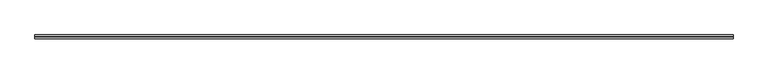
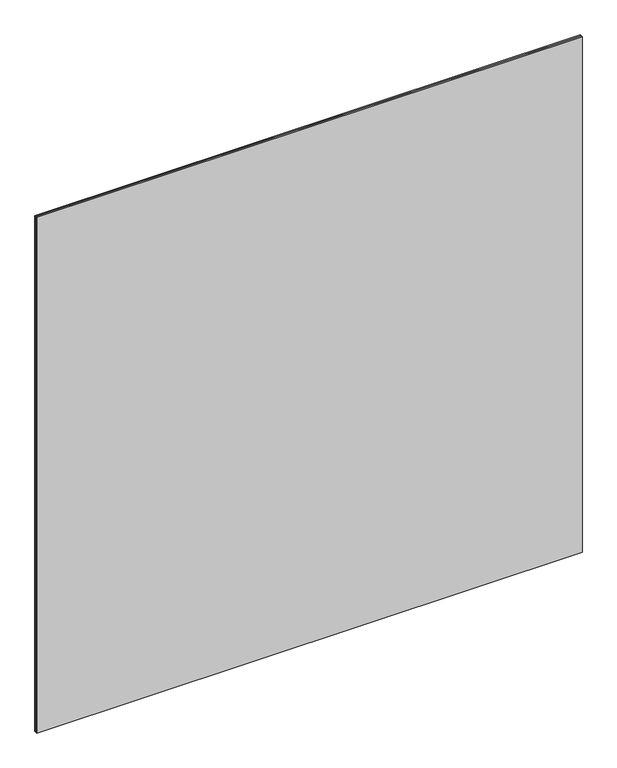
"""IFC4 building model written with IfcOpenShell, lengths in millimetres: plate geometry."""

import ifcopenshell
import ifcopenshell.guid

model = None  # the IFC model being written
_history = None  # IfcOwnerHistory: only IFC2X3 demands one
_inside = {}  # id of a spatial element -> (the spatial element, [elements in it])
_under = {}  # id of a project, library or spatial element -> (it, [spatial elements below it])
_declared = {}  # id of a project -> (the project, [libraries it declares])
_typed = {}  # id of a type object -> (the type object, [elements of that type])
_made_of = {}  # id of a material, layer set ... -> (it, [elements and type objects made of it])


def new_model(schema):
    """Start an empty IFC model of exactly this schema.

    Asked for "IFC4X3", IfcOpenShell would pick the latest addendum, in which some entities
    have other attributes; the version numbers below select the first issue.
    IFC2X3 requires an IfcOwnerHistory on every rooted entity: one is made here for all.
    """
    global model, _history
    if schema == "IFC4X3":
        model = ifcopenshell.file(schema_version=(4, 3, 0, 0))
    else:
        model = ifcopenshell.file(schema=schema)
    _inside.clear()
    _under.clear()
    _declared.clear()
    _typed.clear()
    _made_of.clear()
    _history = None
    if model.schema == "IFC2X3":
        org = make("IfcOrganization", Name="unknown")
        user = make(
            "IfcPersonAndOrganization",
            ThePerson=make("IfcPerson", FamilyName="unknown"),
            TheOrganization=org,
        )
        app = make(
            "IfcApplication",
            ApplicationDeveloper=org,
            Version="unknown",
            ApplicationFullName="unknown",
            ApplicationIdentifier="unknown",
        )
        _history = make(
            "IfcOwnerHistory",
            OwningUser=user,
            OwningApplication=app,
            ChangeAction="ADDED",
            CreationDate=0,
        )
    return model


def make(cls, **values):
    """One entity of the class cls with the attributes given. An attribute that is None is left unset."""
    return model.create_entity(
        cls, **{name: value for name, value in values.items() if value is not None}
    )


def rooted(cls, **values):
    """An entity with a GlobalId (a new one), such as an element, a storey or a relation."""
    return make(cls, GlobalId=ifcopenshell.guid.new(), OwnerHistory=_history, **values)


def si_unit(unit_type, name, prefix=None):
    """IfcSIUnit, for example si_unit("LENGTHUNIT", "METRE", prefix="MILLI")."""
    return make("IfcSIUnit", UnitType=unit_type, Prefix=prefix, Name=name)


def assignment(units):
    """IfcUnitAssignment: the units of a project."""
    return None if units is None else make("IfcUnitAssignment", Units=units)


def point(xyz):
    """IfcCartesianPoint."""
    return None if xyz is None else make("IfcCartesianPoint", Coordinates=xyz)


def direction(xyz):
    """IfcDirection."""
    return None if xyz is None else make("IfcDirection", DirectionRatios=xyz)


def frame(location, z_axis=None, x_axis=None):
    """IfcAxis2Placement3D, a coordinate frame: its origin and axes. An axis left out is left unset."""
    return make(
        "IfcAxis2Placement3D",
        Location=point(location),
        Axis=direction(z_axis),
        RefDirection=direction(x_axis),
    )


def origin():
    """The frame at (0, 0, 0) with its axes left unset."""
    return frame((0.0, 0.0, 0.0))


def origin_with_axes():
    """The frame at (0, 0, 0) with the z axis (0, 0, 1) and the x axis (1, 0, 0) written out."""
    return frame((0.0, 0.0, 0.0), z_axis=(0.0, 0.0, 1.0), x_axis=(1.0, 0.0, 0.0))


def place(relative_to, where):
    """IfcLocalPlacement: puts the frame where relative to a parent placement (None: the world)."""
    return make(
        "IfcLocalPlacement", PlacementRelTo=relative_to, RelativePlacement=where
    )


def context(
    kind, dimensions, precision=None, world=None, true_north=None, identifier=None
):
    """IfcGeometricRepresentationContext, for example the 3D "Model" context."""
    return make(
        "IfcGeometricRepresentationContext",
        ContextIdentifier=identifier,
        ContextType=kind,
        CoordinateSpaceDimension=dimensions,
        Precision=precision,
        WorldCoordinateSystem=world,
        TrueNorth=true_north,
    )


def project(units=None, contexts=None):
    """IfcProject with its units and contexts."""
    return rooted(
        "IfcProject",
        Name="project",
        RepresentationContexts=contexts,
        UnitsInContext=assignment(units),
    )


def spatial(cls, under=None, at=None, **own):
    """A site, building, storey or space (cls), placed at a placement, below another one or the project."""
    s = rooted(cls, ObjectPlacement=at, **own)
    if under is not None:
        _under.setdefault(under.id(), (under, []))[1].append(s)
    return s


def polyline(points):
    """IfcPolyline through the points."""
    return make("IfcPolyline", Points=[point(p) for p in points])


def outline(outer, holes=None, kind="AREA"):
    """IfcArbitraryClosedProfileDef: a profile drawn as a closed curve; with holes, ...WithVoids."""
    if holes is None:
        return make("IfcArbitraryClosedProfileDef", ProfileType=kind, OuterCurve=outer)
    return make(
        "IfcArbitraryProfileDefWithVoids",
        ProfileType=kind,
        OuterCurve=outer,
        InnerCurves=holes,
    )


def extrude(swept, where, along, depth):
    """IfcExtrudedAreaSolid: the profile swept, set in the frame where, extruded along a direction by depth."""
    return make(
        "IfcExtrudedAreaSolid",
        SweptArea=swept,
        Position=where,
        ExtrudedDirection=direction(along),
        Depth=depth,
    )


def shape(context_of_items, identifier, shape_type, items):
    """IfcShapeRepresentation: the items that make up one representation, for example the "Body"."""
    return make(
        "IfcShapeRepresentation",
        ContextOfItems=context_of_items,
        RepresentationIdentifier=identifier,
        RepresentationType=shape_type,
        Items=items,
    )


def source(mapping_origin, context_of_items, identifier, shape_type, items):
    """IfcRepresentationMap: a shape defined once, which mapped items show again and again."""
    return make(
        "IfcRepresentationMap",
        MappingOrigin=mapping_origin,
        MappedRepresentation=shape(context_of_items, identifier, shape_type, items),
    )


def transform(
    local_origin,
    x_axis=None,
    y_axis=None,
    z_axis=None,
    scale=None,
    scale2=None,
    scale3=None,
    uniform=True,
):
    """IfcCartesianTransformationOperator3D, or its non-uniform kind. x_axis, y_axis, z_axis: its Axis1, 2, 3."""
    if uniform:
        return make(
            "IfcCartesianTransformationOperator3D",
            Axis1=direction(x_axis),
            Axis2=direction(y_axis),
            LocalOrigin=point(local_origin),
            Scale=scale,
            Axis3=direction(z_axis),
        )
    return make(
        "IfcCartesianTransformationOperator3DnonUniform",
        Axis1=direction(x_axis),
        Axis2=direction(y_axis),
        LocalOrigin=point(local_origin),
        Scale=scale,
        Axis3=direction(z_axis),
        Scale2=scale2,
        Scale3=scale3,
    )


def mapped(mapping_source, mapping_target):
    """IfcMappedItem: shows the shape of a source again, moved by a transform."""
    return make(
        "IfcMappedItem", MappingSource=mapping_source, MappingTarget=mapping_target
    )


def made_of(thing, what):
    """Note that an element or type object is made of a material, layer set ...; save() writes the relation."""
    if what is not None:
        _made_of.setdefault(what.id(), (what, []))[1].append(thing)
    return thing


def element(
    cls,
    number,
    at=None,
    inside=None,
    cuts=None,
    type_object=None,
    material=None,
    context=None,
    identifier="Body",
    shape_type=None,
    held_by="IfcProductDefinitionShape",
    body=None,
    shapes=None,
    **own,
):
    """One element of the class cls, such as IfcWall. Its Tag is "e" and its number.

    at: its placement. inside: the storey or other place that contains it. cuts: it is an
    opening in that element (IfcRelVoidsElement). A single representation is given by context,
    identifier, shape_type and body (its items); several are given by shapes. held_by: the class
    of the entity that holds the representations. save() writes the other relations.
    """
    e = rooted(cls, Tag="e%d" % number, ObjectPlacement=at, **own)
    if body is not None:
        shapes = [shape(context, identifier, shape_type, body)]
    if shapes is not None:
        e.Representation = make(held_by, Representations=shapes)
    if inside is not None:
        _inside.setdefault(inside.id(), (inside, []))[1].append(e)
    if cuts is not None:
        rooted(
            "IfcRelVoidsElement", RelatingBuildingElement=cuts, RelatedOpeningElement=e
        )
    if type_object is not None:
        _typed.setdefault(type_object.id(), (type_object, []))[1].append(e)
    return made_of(e, material)


def aggregate(whole, parts):
    """IfcRelAggregates: a whole, such as a stair, and the parts it consists of."""
    return rooted("IfcRelAggregates", RelatingObject=whole, RelatedObjects=parts)


def save(model, path):
    """Write the relations noted so far, then the file.

    IfcRelAggregates (storeys below a building ...), IfcRelContainedInSpatialStructure (elements
    in a storey), IfcRelDefinesByType, IfcRelAssociatesMaterial and IfcRelDeclares: one each for
    every whole, place, type object, material and project.
    """
    for whole, parts in _under.values():
        aggregate(whole, parts)
    for where, things in _inside.values():
        rooted(
            "IfcRelContainedInSpatialStructure",
            RelatedElements=things,
            RelatingStructure=where,
        )
    for kind, things in _typed.values():
        rooted("IfcRelDefinesByType", RelatedObjects=things, RelatingType=kind)
    for what, things in _made_of.values():
        rooted("IfcRelAssociatesMaterial", RelatedObjects=things, RelatingMaterial=what)
    for by, libraries in _declared.values():
        rooted("IfcRelDeclares", RelatingContext=by, RelatedDefinitions=libraries)
    model.write(path)


def plate_38a629d1(model_context):
    return source(origin(), model_context, "Body", "SweptSolid", [
        extrude(outline(polyline([(1524.0, -762.0), (0.0, -762.0), (0.0, 762.0), (1524.0, 762.0), (1524.0, -762.0)]), holes=[polyline([(50.8, -711.2), (1473.2, -711.2), (1473.2, 711.2), (50.8, 711.2), (50.8, -711.2)])]), frame((0.0, -0.1488281, 0.0), z_axis=(0.0, 1.0, 0.0), x_axis=(0.0, 0.0, 1.0)), (0.0, 0.0, 1.0), 0.2976562),
        extrude(outline(polyline([(762.0, -0.1488281), (762.0, -4.1488281), (-762.0, -4.1488281), (-762.0, -0.1488281), (762.0, -0.1488281)])), origin_with_axes(), (0.0, 0.0, 1.0), 1524.0),
        extrude(outline(polyline([(762.0, 4.1488281), (762.0, 0.1488281), (-762.0, 0.1488281), (-762.0, 4.1488281), (762.0, 4.1488281)])), origin_with_axes(), (0.0, 0.0, 1.0), 1524.0),
    ])


if __name__ == "__main__":
    model = new_model("IFC4")
    model_context = context("Model", 3, world=origin())
    ifc_project = project(units=[si_unit("LENGTHUNIT", "METRE", prefix="MILLI")], contexts=[model_context])
    site = spatial("IfcSite", under=ifc_project)
    building = spatial("IfcBuilding", under=site)
    placement = place(None, origin())
    plate_shape = plate_38a629d1(model_context)
    element("IfcPlate", 1, at=placement, inside=building, context=model_context, shape_type="MappedRepresentation", body=[
        mapped(plate_shape, transform((0.0, 0.0, 0.0), x_axis=(1.0, 0.0, 0.0), y_axis=(0.0, 1.0, 0.0), z_axis=(0.0, 0.0, 1.0))),
    ])
    save(model, "model.ifc")
